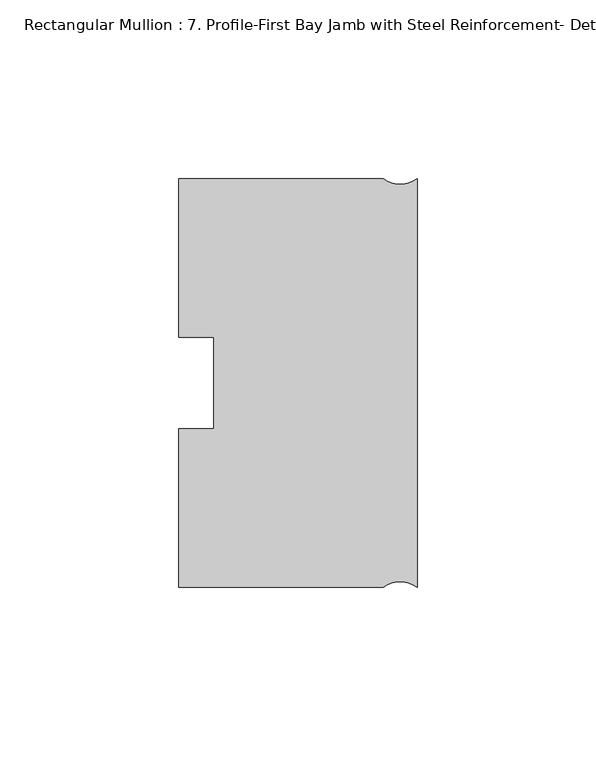
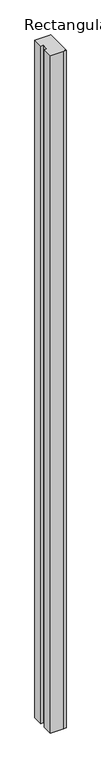
"""IFC4 building model written with IfcOpenShell, lengths in millimetres: member geometry, Rectangular Mullion : 7. Profile-First Bay Jamb with Steel Reinforcement- Detail-1."""

from ifc_helpers import new_model, si_unit, point, frame, frame_2d, origin, place, context, project, spatial, polyline, circle_curve, trimmed, segment, composite_curve, outline, extrude, source, transform, mapped, element, save


def rectangular_mullion_7_profile_first_bay_jamb_with_steel_c5657192(model_context):
    return source(origin(), model_context, "Body", "SweptSolid", [
        extrude(outline(composite_curve([segment(polyline([(-66.675, -57.15), (-66.675, -12.7327592), (-56.8325, -12.7327592), (-56.8325, 12.7549391), (-66.675, 12.7549391), (-66.675, 57.15), (-9.525, 57.15)]), True, "CONTINUOUS"), segment(trimmed(circle_curve(frame_2d((-4.7625, 63.5)), 7.9375), [point((-9.525, 57.15))], [point((0.0, 57.15))], True, "CARTESIAN"), True, "CONTINUOUS"), segment(polyline([(0.0, 57.15), (0.0, -57.15)]), True, "CONTINUOUS"), segment(trimmed(circle_curve(frame_2d((-4.7625, -63.5)), 7.9375), [point((0.0, -57.15))], [point((-9.525, -57.15))], True, "CARTESIAN"), True, "CONTINUOUS"), segment(polyline([(-9.525, -57.15), (-66.675, -57.15)]), True, "CONTINUOUS")], self_intersect=False)), frame((0.0, 0.0, -3048.0), z_axis=(0.0, 0.0, 1.0), x_axis=(1.0, 0.0, 0.0)), (0.0, 0.0, 1.0), 3048.0),
    ])


if __name__ == "__main__":
    model = new_model("IFC4")
    model_context = context("Model", 3, world=origin())
    ifc_project = project(units=[si_unit("LENGTHUNIT", "METRE", prefix="MILLI")], contexts=[model_context])
    site = spatial("IfcSite", under=ifc_project)
    building = spatial("IfcBuilding", under=site)
    placement = place(None, origin())
    rectangular_mullion_7_profile_first_bay_jamb_with_steel_shape = rectangular_mullion_7_profile_first_bay_jamb_with_steel_c5657192(model_context)
    element("IfcMember", 1, ObjectType="Rectangular Mullion : 7. Profile-First Bay Jamb with Steel Reinforcement- Detail-1", at=placement, inside=building, context=model_context, shape_type="MappedRepresentation", body=[
        mapped(rectangular_mullion_7_profile_first_bay_jamb_with_steel_shape, transform((0.0, 0.0, 0.0), x_axis=(1.0, 0.0, 0.0), y_axis=(0.0, 1.0, 0.0), z_axis=(0.0, 0.0, 1.0))),
    ])
    save(model, "model.ifc")
